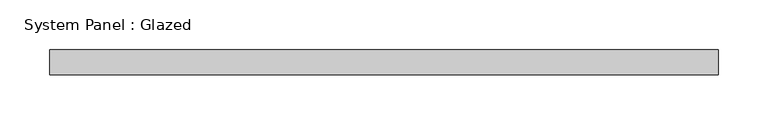
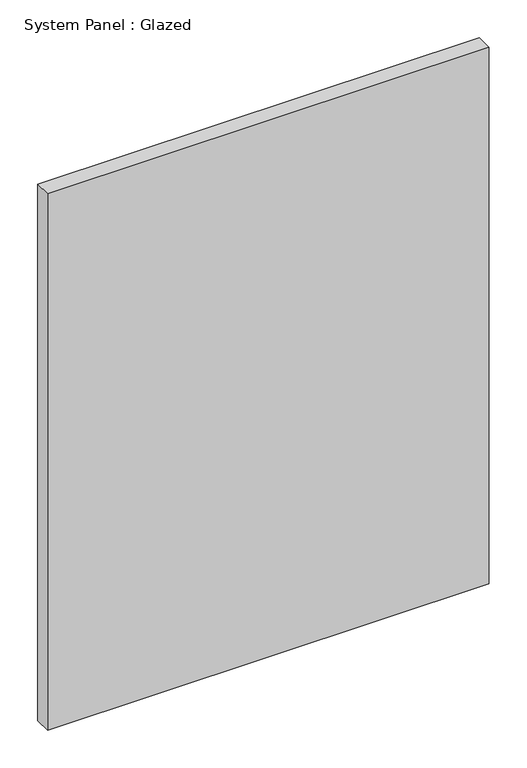
"""IFC4 building model written with IfcOpenShell, lengths in millimetres: plate geometry, System Panel : Glazed."""

from ifc_helpers import new_model, si_unit, origin, origin_with_axes, place, context, project, spatial, polyline, outline, extrude, source, transform, mapped, element, save


def system_panel_glazed_a9a851fb(model_context):
    return source(origin(), model_context, "Body", "SweptSolid", [
        extrude(outline(polyline([(336.55, 19.05), (-336.55, 19.05), (-336.55, 44.45), (336.55, 44.45), (336.55, 19.05)])), origin_with_axes(), (0.0, 0.0, 1.0), 863.6),
    ])


if __name__ == "__main__":
    model = new_model("IFC4")
    model_context = context("Model", 3, world=origin())
    ifc_project = project(units=[si_unit("LENGTHUNIT", "METRE", prefix="MILLI")], contexts=[model_context])
    site = spatial("IfcSite", under=ifc_project)
    building = spatial("IfcBuilding", under=site)
    placement = place(None, origin())
    system_panel_glazed_shape = system_panel_glazed_a9a851fb(model_context)
    element("IfcPlate", 1, ObjectType="System Panel : Glazed", at=placement, inside=building, context=model_context, shape_type="MappedRepresentation", body=[
        mapped(system_panel_glazed_shape, transform((0.0, 0.0, 0.0), x_axis=(1.0, 0.0, 0.0), y_axis=(0.0, 1.0, 0.0), z_axis=(0.0, 0.0, 1.0))),
    ])
    save(model, "model.ifc")
